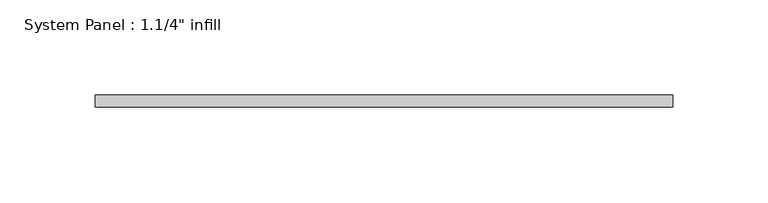
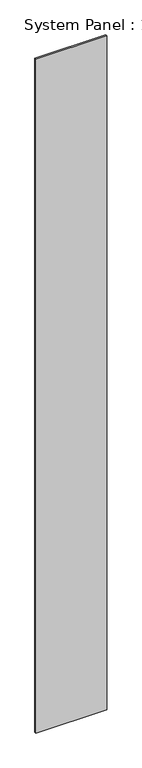
"""IFC4 building model written with IfcOpenShell, lengths in millimetres: plate geometry."""

from ifc_helpers import new_model, si_unit, origin, origin_with_axes, place, context, project, spatial, polyline, outline, extrude, source, transform, mapped, element, save


def plate_6512662e(model_context):
    return source(origin(), model_context, "Body", "SweptSolid", [
        extrude(outline(polyline([(151.7912913, -6.2507813), (-151.7912913, -6.2507813), (-151.7912913, 0.0992187), (151.7912913, 0.0992187), (151.7912913, -6.2507813)])), origin_with_axes(), (0.0, 0.0, 1.0), 3048.0),
    ])


if __name__ == "__main__":
    model = new_model("IFC4")
    model_context = context("Model", 3, world=origin())
    ifc_project = project(units=[si_unit("LENGTHUNIT", "METRE", prefix="MILLI")], contexts=[model_context])
    site = spatial("IfcSite", under=ifc_project)
    building = spatial("IfcBuilding", under=site)
    placement = place(None, origin())
    plate_shape = plate_6512662e(model_context)
    element("IfcPlate", 1, ObjectType="System Panel : 1.1/4\" infill", at=placement, inside=building, context=model_context, shape_type="MappedRepresentation", body=[
        mapped(plate_shape, transform((0.0, 0.0, 0.0), x_axis=(1.0, 0.0, 0.0), y_axis=(0.0, 1.0, 0.0), z_axis=(0.0, 0.0, 1.0))),
    ])
    save(model, "model.ifc")
